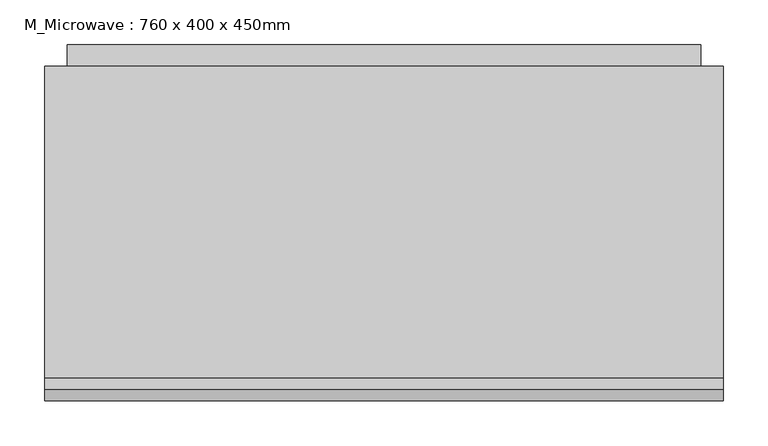
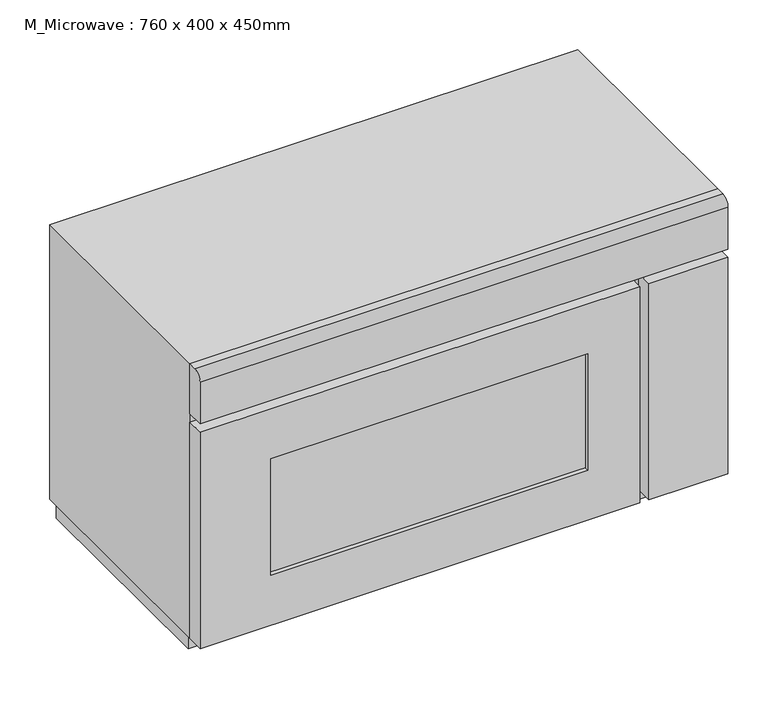
"""IFC4 building model written with IfcOpenShell, lengths in millimetres: proxy geometry, M_Microwave : 760 x 400 x 450mm."""

from ifc_helpers import new_model, si_unit, point, frame, frame_2d, origin, place, context, project, spatial, polyline, circle_curve, trimmed, segment, composite_curve, outline, extrude, faceted_brep, source, transform, mapped, element, save


def m_microwave_760_x_400_x_450mm_fc9afc05(model_context):
    return source(origin(), model_context, "Body", "SolidModel", [
        extrude(outline(polyline([(678.4897523, -546.7305058), (221.8928773, -546.7305058), (221.8928773, -540.3805058), (678.4897523, -540.3805058), (678.4897523, -546.7305058)])), frame((0.0, 0.0, 1022.35), z_axis=(0.0, 0.0, 1.0), x_axis=(1.0, 0.0, 0.0)), (0.0, 0.0, 1.0), 176.95),
        extrude(outline(polyline([(1275.5, 753.6897523), (1275.5, 120.2928773), (946.15, 120.2928773), (946.15, 753.6897523), (1275.5, 753.6897523)]), holes=[polyline([(1199.3, 678.4897523), (1022.35, 678.4897523), (1022.35, 221.8928773), (1199.3, 221.8928773), (1199.3, 678.4897523)])]), frame((0.0, -553.0805058, 0.0), z_axis=(0.0, 1.0, 0.0), x_axis=(0.0, 0.0, 1.0)), (0.0, 0.0, 1.0), 25.4),
        extrude(outline(polyline([(880.2928773, -553.0805058), (766.3897523, -553.0805058), (766.3897523, -527.6805058), (880.2928773, -527.6805058), (880.2928773, -553.0805058)])), frame((0.0, 0.0, 946.15), z_axis=(0.0, 0.0, 1.0), x_axis=(1.0, 0.0, 0.0)), (0.0, 0.0, 1.0), 329.35),
        extrude(outline(composite_curve([segment(polyline([(-540.3805058, 1364.4), (-527.6805058, 1364.4), (-527.6805058, 1288.2), (-553.0805058, 1288.2), (-553.0805058, 1351.7)]), True, "CONTINUOUS"), segment(trimmed(circle_curve(frame_2d((-540.3805058, 1351.7)), 12.7), [point((-553.0805058, 1351.7))], [point((-540.3805058, 1364.4))], False, "CARTESIAN"), True, "CONTINUOUS")], self_intersect=False)), frame((120.2928773, 0.0, 0.0), z_axis=(1.0, 0.0, 0.0), x_axis=(0.0, 1.0, 0.0)), (0.0, 0.0, 1.0), 760.0),
        extrude(outline(polyline([(-154.2441495, 1339.0), (-154.2441495, 961.946551), (-179.6441495, 936.546551), (-179.6441495, 1339.0), (-154.2441495, 1339.0)])), frame((145.6928773, 0.0, 0.0), z_axis=(1.0, 0.0, 0.0), x_axis=(0.0, 1.0, 0.0)), (0.0, 0.0, 1.0), 709.2),
        faceted_brep([(880.2928773, -178.4805058, 1364.4), (120.2928773, -178.4805058, 1364.4), (120.2928773, -527.6805058, 1364.4), (880.2928773, -527.6805058, 1364.4), (880.2928773, -178.4805058, 946.15), (880.2928773, -527.6805058, 946.15), (120.2928773, -527.6805058, 946.15), (120.2928773, -178.4805058, 946.15), (823.5397523, -527.6805058, 1271.0014904), (823.5397523, -527.6805058, 1020.1764904), (177.0460023, -527.6805058, 1020.1764904), (177.0460023, -527.6805058, 1271.0014904), (823.5397523, -197.4805058, 1271.0014904), (177.0460023, -197.4805058, 1271.0014904), (177.0460023, -197.4805058, 1020.1764904), (823.5397523, -197.4805058, 1020.1764904)], [[[0, 1, 2, 3]], [[4, 5, 6, 7]], [[1, 0, 4, 7]], [[2, 1, 7, 6]], [[3, 2, 6, 5], [8, 9, 10, 11]], [[0, 3, 5, 4]], [[12, 13, 14, 15]], [[12, 15, 9, 8]], [[15, 14, 10, 9]], [[14, 13, 11, 10]], [[13, 12, 8, 11]]]),
        extrude(outline(polyline([(870.7678773, -178.4805058), (870.7678773, -507.0430058), (129.8178773, -507.0430058), (129.8178773, -178.4805058), (870.7678773, -178.4805058)])), frame((0.0, 0.0, 914.4), z_axis=(0.0, 0.0, 1.0), x_axis=(1.0, 0.0, 0.0)), (0.0, 0.0, 1.0), 31.75),
    ])


if __name__ == "__main__":
    model = new_model("IFC4")
    model_context = context("Model", 3, world=origin())
    ifc_project = project(units=[si_unit("LENGTHUNIT", "METRE", prefix="MILLI")], contexts=[model_context])
    site = spatial("IfcSite", under=ifc_project)
    building = spatial("IfcBuilding", under=site)
    placement = place(None, origin())
    m_microwave_760_x_400_x_450mm_shape = m_microwave_760_x_400_x_450mm_fc9afc05(model_context)
    element("IfcBuildingElementProxy", 1, Name="M_Microwave : 760 x 400 x 450mm", ObjectType="M_Microwave : 760 x 400 x 450mm", at=placement, inside=building, context=model_context, shape_type="MappedRepresentation", body=[
        mapped(m_microwave_760_x_400_x_450mm_shape, transform((0.0, 0.0, 0.0), x_axis=(1.0, 0.0, 0.0), y_axis=(0.0, 1.0, 0.0), z_axis=(0.0, 0.0, 1.0))),
    ])
    save(model, "model.ifc")
